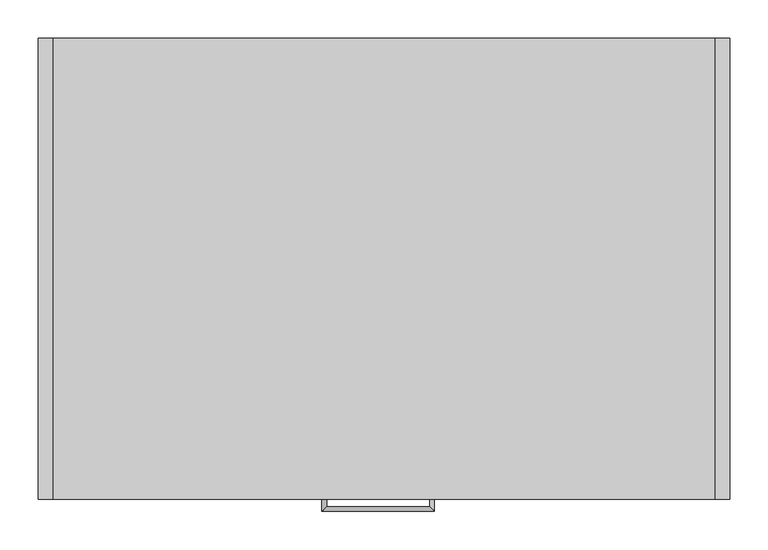
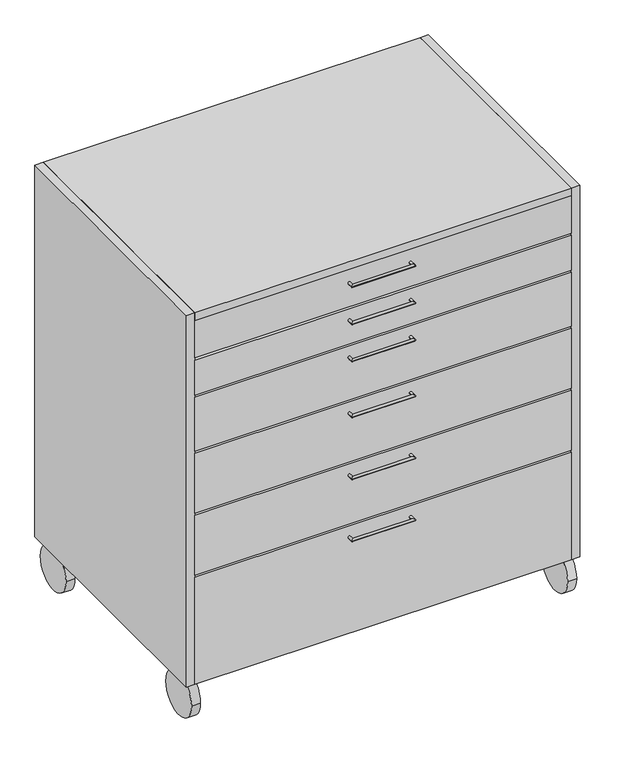
"""IFC4 building model written with IfcOpenShell, lengths in millimetres: proxy geometry."""

from ifc_helpers import new_model, si_unit, point, frame, frame_2d, origin, place, context, project, spatial, polyline, circle_curve, ellipse_curve, trimmed, segment, composite_curve, outline, extrude, source, transform, mapped, element, save
from ifc_brep_helpers import plane_surface, cylinder_surface, advanced_brep


def specialty_equipment_b7815823(model_context):
    return source(origin(), model_context, "Body", "SolidModel", [
        extrude(outline(polyline([(296.9877267, 980.95), (296.9877267, 101.6), (-283.9622733, 101.6), (-283.9622733, 360.95), (-248.3385879, 360.95), (-248.3385879, 365.95), (-283.9622733, 365.95), (-283.9622733, 510.95), (-248.3385879, 510.95), (-248.3385879, 515.95), (-283.9622733, 515.95), (-283.9622733, 660.95), (-248.3385879, 660.95), (-248.3385879, 665.95), (-283.9622733, 665.95), (-283.9622733, 795.95), (-248.3385879, 795.95), (-248.3385879, 800.95), (-283.9622733, 800.95), (-283.9622733, 885.95), (-248.3385879, 885.95), (-248.3385879, 890.95), (-283.9622733, 890.95), (-283.9622733, 980.95), (296.9877267, 980.95)])), frame((-423.2495348, 0.0, 0.0), z_axis=(1.0, 0.0, 0.0), x_axis=(0.0, 1.0, 0.0)), (0.0, 0.0, 1.0), 861.9),
        extrude(outline(polyline([(438.6504652, 296.9877267), (-423.2495348, 296.9877267), (-423.2495348, 316.0377267), (438.6504652, 316.0377267), (438.6504652, 296.9877267)])), frame((0.0, 0.0, 101.6), z_axis=(0.0, 0.0, 1.0), x_axis=(1.0, 0.0, 0.0)), (0.0, 0.0, 1.0), 879.35),
        extrude(outline(polyline([(438.6504652, 316.0377267), (438.6504652, -283.9622733), (-423.2495348, -283.9622733), (-423.2495348, 316.0377267), (438.6504652, 316.0377267)])), frame((0.0, 0.0, 980.95), z_axis=(0.0, 0.0, 1.0), x_axis=(1.0, 0.0, 0.0)), (0.0, 0.0, 1.0), 19.05),
        extrude(outline(polyline([(438.6504652, -283.9622733), (438.6504652, 316.0377267), (457.7004652, 316.0377267), (457.7004652, -283.9622733), (438.6504652, -283.9622733)])), frame((0.0, 0.0, 101.6), z_axis=(0.0, 0.0, 1.0), x_axis=(1.0, 0.0, 0.0)), (0.0, 0.0, 1.0), 898.4),
        extrude(outline(polyline([(-442.2995348, -283.9622733), (-442.2995348, 316.0377267), (-423.2495348, 316.0377267), (-423.2495348, -283.9622733), (-442.2995348, -283.9622733)])), frame((0.0, 0.0, 101.6), z_axis=(0.0, 0.0, 1.0), x_axis=(1.0, 0.0, 0.0)), (0.0, 0.0, 1.0), 898.4),
        advanced_brep(
        [(-73.1593982, -283.9622733, 334.6154033), (-67.1593982, -283.9622733, 334.6154033), (-73.1593982, -299.6216715, 334.6154033), (-67.1593982, -293.6216715, 334.6154033), (73.1593982, -299.6216715, 334.6154033), (67.1593982, -293.6216715, 334.6154033), (73.1593982, -283.9622733, 334.6154033), (67.1593982, -283.9622733, 334.6154033)],
        [
            (0, 1, circle_curve(frame((-70.1593982, -283.9622733, 334.6154033), z_axis=(0.0, 1.0, 0.0), x_axis=(1.0, 0.0, 0.0)), 3.0)),
            (1, 0, circle_curve(frame((-70.1593982, -283.9622733, 334.6154033), z_axis=(0.0, 1.0, 0.0), x_axis=(1.0, 0.0, 0.0)), 3.0)),
            (0, 2),
            (2, 3, ellipse_curve(frame((-70.1593982, -296.6216715, 334.6154033), z_axis=(-0.7071067811865465, 0.7071067811865485, 0.0), x_axis=(0.7071067811865483, 0.7071067811865467, 0.0)), 4.2426407, 3.0)),
            (3, 1),
            (3, 2, ellipse_curve(frame((-70.1593982, -296.6216715, 334.6154033), z_axis=(-0.7071067811865465, 0.7071067811865485, 0.0), x_axis=(0.7071067811865483, 0.7071067811865467, 0.0)), 4.2426407, 3.0)),
            (2, 4),
            (4, 5, ellipse_curve(frame((70.1593982, -296.6216715, 334.6154033), z_axis=(-0.7071067811865486, -0.7071067811865466, 0.0), x_axis=(-0.7071067811865464, 0.7071067811865487, 0.0)), 4.2426407, 3.0)),
            (5, 3),
            (5, 4, ellipse_curve(frame((70.1593982, -296.6216715, 334.6154033), z_axis=(-0.7071067811865486, -0.7071067811865466, 0.0), x_axis=(-0.7071067811865464, 0.7071067811865487, 0.0)), 4.2426407, 3.0)),
            (6, 7, circle_curve(frame((70.1593982, -283.9622733, 334.6154033), z_axis=(0.0, 1.0, 0.0), x_axis=(-1.0, 0.0, 0.0)), 3.0)),
            (7, 6, circle_curve(frame((70.1593982, -283.9622733, 334.6154033), z_axis=(0.0, 1.0, 0.0), x_axis=(-1.0, 0.0, 0.0)), 3.0)),
            (4, 6),
            (7, 5),
        ],
        [
            plane_surface(frame((-100.0, -283.9622733, -615.0), z_axis=(0.0, 1.0, 0.0), x_axis=(0.0, 0.0, 1.0))),
            cylinder_surface(frame((-70.1593982, -283.9622733, 334.6154033), z_axis=(0.0, 1.0, 0.0), x_axis=(1.0, 0.0, 0.0)), 3.0),
            cylinder_surface(frame((-100.0, -296.6216715, 334.6154033), z_axis=(-1.0, 0.0, 0.0), x_axis=(0.0, 1.0, 0.0)), 3.0),
            plane_surface(frame((100.0, -283.9622733, -615.0), z_axis=(0.0, 1.0, 0.0), x_axis=(0.0, 0.0, 1.0))),
            cylinder_surface(frame((70.1593982, -326.4622733, 334.6154033), z_axis=(0.0, -1.0, 0.0), x_axis=(-1.0, 0.0, 0.0)), 3.0),
        ],
        [
            (0, [[1, 2]]),
            (1, [[-1, 3, 4, 5]]),
            (1, [[-2, -5, 6, -3]]),
            (2, [[-4, 7, 8, 9]]),
            (2, [[-6, -9, 10, -7]]),
            (3, [[11, 12]]),
            (4, [[-8, 13, -12, 14]]),
            (4, [[-10, -14, -11, -13]]),
        ],
    ),
        advanced_brep(
        [(-73.1593982, -283.9622733, 484.6154033), (-67.1593982, -283.9622733, 484.6154033), (-73.1593982, -299.6216715, 484.6154033), (-67.1593982, -293.6216715, 484.6154033), (73.1593982, -299.6216715, 484.6154033), (67.1593982, -293.6216715, 484.6154033), (73.1593982, -283.9622733, 484.6154033), (67.1593982, -283.9622733, 484.6154033)],
        [
            (0, 1, circle_curve(frame((-70.1593982, -283.9622733, 484.6154033), z_axis=(0.0, 1.0, 0.0), x_axis=(1.0, 0.0, 0.0)), 3.0)),
            (1, 0, circle_curve(frame((-70.1593982, -283.9622733, 484.6154033), z_axis=(0.0, 1.0, 0.0), x_axis=(1.0, 0.0, 0.0)), 3.0)),
            (0, 2),
            (2, 3, ellipse_curve(frame((-70.1593982, -296.6216715, 484.6154033), z_axis=(-0.7071067811865465, 0.7071067811865485, 0.0), x_axis=(0.7071067811865483, 0.7071067811865467, 0.0)), 4.2426407, 3.0)),
            (3, 1),
            (3, 2, ellipse_curve(frame((-70.1593982, -296.6216715, 484.6154033), z_axis=(-0.7071067811865465, 0.7071067811865485, 0.0), x_axis=(0.7071067811865483, 0.7071067811865467, 0.0)), 4.2426407, 3.0)),
            (2, 4),
            (4, 5, ellipse_curve(frame((70.1593982, -296.6216715, 484.6154033), z_axis=(-0.7071067811865486, -0.7071067811865466, 0.0), x_axis=(-0.7071067811865464, 0.7071067811865487, 0.0)), 4.2426407, 3.0)),
            (5, 3),
            (5, 4, ellipse_curve(frame((70.1593982, -296.6216715, 484.6154033), z_axis=(-0.7071067811865486, -0.7071067811865466, 0.0), x_axis=(-0.7071067811865464, 0.7071067811865487, 0.0)), 4.2426407, 3.0)),
            (6, 7, circle_curve(frame((70.1593982, -283.9622733, 484.6154033), z_axis=(0.0, 1.0, 0.0), x_axis=(-1.0, 0.0, 0.0)), 3.0)),
            (7, 6, circle_curve(frame((70.1593982, -283.9622733, 484.6154033), z_axis=(0.0, 1.0, 0.0), x_axis=(-1.0, 0.0, 0.0)), 3.0)),
            (4, 6),
            (7, 5),
        ],
        [
            plane_surface(frame((-100.0, -283.9622733, -465.0), z_axis=(0.0, 1.0, 0.0), x_axis=(0.0, 0.0, 1.0))),
            cylinder_surface(frame((-70.1593982, -283.9622733, 484.6154033), z_axis=(0.0, 1.0, 0.0), x_axis=(1.0, 0.0, 0.0)), 3.0),
            cylinder_surface(frame((-100.0, -296.6216715, 484.6154033), z_axis=(-1.0, 0.0, 0.0), x_axis=(0.0, 1.0, 0.0)), 3.0),
            plane_surface(frame((100.0, -283.9622733, -465.0), z_axis=(0.0, 1.0, 0.0), x_axis=(0.0, 0.0, 1.0))),
            cylinder_surface(frame((70.1593982, -326.4622733, 484.6154033), z_axis=(0.0, -1.0, 0.0), x_axis=(-1.0, 0.0, 0.0)), 3.0),
        ],
        [
            (0, [[1, 2]]),
            (1, [[-1, 3, 4, 5]]),
            (1, [[-2, -5, 6, -3]]),
            (2, [[-4, 7, 8, 9]]),
            (2, [[-6, -9, 10, -7]]),
            (3, [[11, 12]]),
            (4, [[-8, 13, -12, 14]]),
            (4, [[-10, -14, -11, -13]]),
        ],
    ),
        advanced_brep(
        [(-73.1593982, -283.9622733, 634.6154033), (-67.1593982, -283.9622733, 634.6154033), (-73.1593982, -299.6216715, 634.6154033), (-67.1593982, -293.6216715, 634.6154033), (73.1593982, -299.6216715, 634.6154033), (67.1593982, -293.6216715, 634.6154033), (73.1593982, -283.9622733, 634.6154033), (67.1593982, -283.9622733, 634.6154033)],
        [
            (0, 1, circle_curve(frame((-70.1593982, -283.9622733, 634.6154033), z_axis=(0.0, 1.0, 0.0), x_axis=(1.0, 0.0, 0.0)), 3.0)),
            (1, 0, circle_curve(frame((-70.1593982, -283.9622733, 634.6154033), z_axis=(0.0, 1.0, 0.0), x_axis=(1.0, 0.0, 0.0)), 3.0)),
            (0, 2),
            (2, 3, ellipse_curve(frame((-70.1593982, -296.6216715, 634.6154033), z_axis=(-0.7071067811865465, 0.7071067811865485, 0.0), x_axis=(0.7071067811865483, 0.7071067811865467, 0.0)), 4.2426407, 3.0)),
            (3, 1),
            (3, 2, ellipse_curve(frame((-70.1593982, -296.6216715, 634.6154033), z_axis=(-0.7071067811865465, 0.7071067811865485, 0.0), x_axis=(0.7071067811865483, 0.7071067811865467, 0.0)), 4.2426407, 3.0)),
            (2, 4),
            (4, 5, ellipse_curve(frame((70.1593982, -296.6216715, 634.6154033), z_axis=(-0.7071067811865486, -0.7071067811865466, 0.0), x_axis=(-0.7071067811865464, 0.7071067811865487, 0.0)), 4.2426407, 3.0)),
            (5, 3),
            (5, 4, ellipse_curve(frame((70.1593982, -296.6216715, 634.6154033), z_axis=(-0.7071067811865486, -0.7071067811865466, 0.0), x_axis=(-0.7071067811865464, 0.7071067811865487, 0.0)), 4.2426407, 3.0)),
            (6, 7, circle_curve(frame((70.1593982, -283.9622733, 634.6154033), z_axis=(0.0, 1.0, 0.0), x_axis=(-1.0, 0.0, 0.0)), 3.0)),
            (7, 6, circle_curve(frame((70.1593982, -283.9622733, 634.6154033), z_axis=(0.0, 1.0, 0.0), x_axis=(-1.0, 0.0, 0.0)), 3.0)),
            (4, 6),
            (7, 5),
        ],
        [
            plane_surface(frame((-100.0, -283.9622733, -315.0), z_axis=(0.0, 1.0, 0.0), x_axis=(0.0, 0.0, 1.0))),
            cylinder_surface(frame((-70.1593982, -283.9622733, 634.6154033), z_axis=(0.0, 1.0, 0.0), x_axis=(1.0, 0.0, 0.0)), 3.0),
            cylinder_surface(frame((-100.0, -296.6216715, 634.6154033), z_axis=(-1.0, 0.0, 0.0), x_axis=(0.0, 1.0, 0.0)), 3.0),
            plane_surface(frame((100.0, -283.9622733, -315.0), z_axis=(0.0, 1.0, 0.0), x_axis=(0.0, 0.0, 1.0))),
            cylinder_surface(frame((70.1593982, -326.4622733, 634.6154033), z_axis=(0.0, -1.0, 0.0), x_axis=(-1.0, 0.0, 0.0)), 3.0),
        ],
        [
            (0, [[1, 2]]),
            (1, [[-1, 3, 4, 5]]),
            (1, [[-2, -5, 6, -3]]),
            (2, [[-4, 7, 8, 9]]),
            (2, [[-6, -9, 10, -7]]),
            (3, [[11, 12]]),
            (4, [[-8, 13, -12, 14]]),
            (4, [[-10, -14, -11, -13]]),
        ],
    ),
        advanced_brep(
        [(-73.1593982, -283.9622733, 769.6154033), (-67.1593982, -283.9622733, 769.6154033), (-73.1593982, -299.6216715, 769.6154033), (-67.1593982, -293.6216715, 769.6154033), (73.1593982, -299.6216715, 769.6154033), (67.1593982, -293.6216715, 769.6154033), (73.1593982, -283.9622733, 769.6154033), (67.1593982, -283.9622733, 769.6154033)],
        [
            (0, 1, circle_curve(frame((-70.1593982, -283.9622733, 769.6154033), z_axis=(0.0, 1.0, 0.0), x_axis=(1.0, 0.0, 0.0)), 3.0)),
            (1, 0, circle_curve(frame((-70.1593982, -283.9622733, 769.6154033), z_axis=(0.0, 1.0, 0.0), x_axis=(1.0, 0.0, 0.0)), 3.0)),
            (0, 2),
            (2, 3, ellipse_curve(frame((-70.1593982, -296.6216715, 769.6154033), z_axis=(-0.7071067811865465, 0.7071067811865485, 0.0), x_axis=(0.7071067811865483, 0.7071067811865467, 0.0)), 4.2426407, 3.0)),
            (3, 1),
            (3, 2, ellipse_curve(frame((-70.1593982, -296.6216715, 769.6154033), z_axis=(-0.7071067811865465, 0.7071067811865485, 0.0), x_axis=(0.7071067811865483, 0.7071067811865467, 0.0)), 4.2426407, 3.0)),
            (2, 4),
            (4, 5, ellipse_curve(frame((70.1593982, -296.6216715, 769.6154033), z_axis=(-0.7071067811865486, -0.7071067811865466, 0.0), x_axis=(-0.7071067811865464, 0.7071067811865487, 0.0)), 4.2426407, 3.0)),
            (5, 3),
            (5, 4, ellipse_curve(frame((70.1593982, -296.6216715, 769.6154033), z_axis=(-0.7071067811865486, -0.7071067811865466, 0.0), x_axis=(-0.7071067811865464, 0.7071067811865487, 0.0)), 4.2426407, 3.0)),
            (6, 7, circle_curve(frame((70.1593982, -283.9622733, 769.6154033), z_axis=(0.0, 1.0, 0.0), x_axis=(-1.0, 0.0, 0.0)), 3.0)),
            (7, 6, circle_curve(frame((70.1593982, -283.9622733, 769.6154033), z_axis=(0.0, 1.0, 0.0), x_axis=(-1.0, 0.0, 0.0)), 3.0)),
            (4, 6),
            (7, 5),
        ],
        [
            plane_surface(frame((-100.0, -283.9622733, -180.0), z_axis=(0.0, 1.0, 0.0), x_axis=(0.0, 0.0, 1.0))),
            cylinder_surface(frame((-70.1593982, -283.9622733, 769.6154033), z_axis=(0.0, 1.0, 0.0), x_axis=(1.0, 0.0, 0.0)), 3.0),
            cylinder_surface(frame((-100.0, -296.6216715, 769.6154033), z_axis=(-1.0, 0.0, 0.0), x_axis=(0.0, 1.0, 0.0)), 3.0),
            plane_surface(frame((100.0, -283.9622733, -180.0), z_axis=(0.0, 1.0, 0.0), x_axis=(0.0, 0.0, 1.0))),
            cylinder_surface(frame((70.1593982, -326.4622733, 769.6154033), z_axis=(0.0, -1.0, 0.0), x_axis=(-1.0, 0.0, 0.0)), 3.0),
        ],
        [
            (0, [[1, 2]]),
            (1, [[-1, 3, 4, 5]]),
            (1, [[-2, -5, 6, -3]]),
            (2, [[-4, 7, 8, 9]]),
            (2, [[-6, -9, 10, -7]]),
            (3, [[11, 12]]),
            (4, [[-8, 13, -12, 14]]),
            (4, [[-10, -14, -11, -13]]),
        ],
    ),
        advanced_brep(
        [(-73.1593982, -283.9622733, 859.6154033), (-67.1593982, -283.9622733, 859.6154033), (-73.1593982, -299.6216715, 859.6154033), (-67.1593982, -293.6216715, 859.6154033), (73.1593982, -299.6216715, 859.6154033), (67.1593982, -293.6216715, 859.6154033), (73.1593982, -283.9622733, 859.6154033), (67.1593982, -283.9622733, 859.6154033)],
        [
            (0, 1, circle_curve(frame((-70.1593982, -283.9622733, 859.6154033), z_axis=(0.0, 1.0, 0.0), x_axis=(1.0, 0.0, 0.0)), 3.0)),
            (1, 0, circle_curve(frame((-70.1593982, -283.9622733, 859.6154033), z_axis=(0.0, 1.0, 0.0), x_axis=(1.0, 0.0, 0.0)), 3.0)),
            (0, 2),
            (2, 3, ellipse_curve(frame((-70.1593982, -296.6216715, 859.6154033), z_axis=(-0.7071067811865465, 0.7071067811865485, 0.0), x_axis=(0.7071067811865483, 0.7071067811865467, 0.0)), 4.2426407, 3.0)),
            (3, 1),
            (3, 2, ellipse_curve(frame((-70.1593982, -296.6216715, 859.6154033), z_axis=(-0.7071067811865465, 0.7071067811865485, 0.0), x_axis=(0.7071067811865483, 0.7071067811865467, 0.0)), 4.2426407, 3.0)),
            (2, 4),
            (4, 5, ellipse_curve(frame((70.1593982, -296.6216715, 859.6154033), z_axis=(-0.7071067811865486, -0.7071067811865466, 0.0), x_axis=(-0.7071067811865464, 0.7071067811865487, 0.0)), 4.2426407, 3.0)),
            (5, 3),
            (5, 4, ellipse_curve(frame((70.1593982, -296.6216715, 859.6154033), z_axis=(-0.7071067811865486, -0.7071067811865466, 0.0), x_axis=(-0.7071067811865464, 0.7071067811865487, 0.0)), 4.2426407, 3.0)),
            (6, 7, circle_curve(frame((70.1593982, -283.9622733, 859.6154033), z_axis=(0.0, 1.0, 0.0), x_axis=(-1.0, 0.0, 0.0)), 3.0)),
            (7, 6, circle_curve(frame((70.1593982, -283.9622733, 859.6154033), z_axis=(0.0, 1.0, 0.0), x_axis=(-1.0, 0.0, 0.0)), 3.0)),
            (4, 6),
            (7, 5),
        ],
        [
            plane_surface(frame((-100.0, -283.9622733, -90.0), z_axis=(0.0, 1.0, 0.0), x_axis=(0.0, 0.0, 1.0))),
            cylinder_surface(frame((-70.1593982, -283.9622733, 859.6154033), z_axis=(0.0, 1.0, 0.0), x_axis=(1.0, 0.0, 0.0)), 3.0),
            cylinder_surface(frame((-100.0, -296.6216715, 859.6154033), z_axis=(-1.0, 0.0, 0.0), x_axis=(0.0, 1.0, 0.0)), 3.0),
            plane_surface(frame((100.0, -283.9622733, -90.0), z_axis=(0.0, 1.0, 0.0), x_axis=(0.0, 0.0, 1.0))),
            cylinder_surface(frame((70.1593982, -326.4622733, 859.6154033), z_axis=(0.0, -1.0, 0.0), x_axis=(-1.0, 0.0, 0.0)), 3.0),
        ],
        [
            (0, [[1, 2]]),
            (1, [[-1, 3, 4, 5]]),
            (1, [[-2, -5, 6, -3]]),
            (2, [[-4, 7, 8, 9]]),
            (2, [[-6, -9, 10, -7]]),
            (3, [[11, 12]]),
            (4, [[-8, 13, -12, 14]]),
            (4, [[-10, -14, -11, -13]]),
        ],
    ),
        advanced_brep(
        [(-73.1593982, -283.9622733, 949.6154033), (-67.1593982, -283.9622733, 949.6154033), (-73.1593982, -299.6216715, 949.6154033), (-67.1593982, -293.6216715, 949.6154033), (73.1593982, -299.6216715, 949.6154033), (67.1593982, -293.6216715, 949.6154033), (73.1593982, -283.9622733, 949.6154033), (67.1593982, -283.9622733, 949.6154033)],
        [
            (0, 1, circle_curve(frame((-70.1593982, -283.9622733, 949.6154033), z_axis=(0.0, 1.0, 0.0), x_axis=(1.0, 0.0, 0.0)), 3.0)),
            (1, 0, circle_curve(frame((-70.1593982, -283.9622733, 949.6154033), z_axis=(0.0, 1.0, 0.0), x_axis=(1.0, 0.0, 0.0)), 3.0)),
            (0, 2),
            (2, 3, ellipse_curve(frame((-70.1593982, -296.6216715, 949.6154033), z_axis=(-0.7071067811865465, 0.7071067811865485, 0.0), x_axis=(0.7071067811865483, 0.7071067811865467, 0.0)), 4.2426407, 3.0)),
            (3, 1),
            (3, 2, ellipse_curve(frame((-70.1593982, -296.6216715, 949.6154033), z_axis=(-0.7071067811865465, 0.7071067811865485, 0.0), x_axis=(0.7071067811865483, 0.7071067811865467, 0.0)), 4.2426407, 3.0)),
            (2, 4),
            (4, 5, ellipse_curve(frame((70.1593982, -296.6216715, 949.6154033), z_axis=(-0.7071067811865486, -0.7071067811865466, 0.0), x_axis=(-0.7071067811865464, 0.7071067811865487, 0.0)), 4.2426407, 3.0)),
            (5, 3),
            (5, 4, ellipse_curve(frame((70.1593982, -296.6216715, 949.6154033), z_axis=(-0.7071067811865486, -0.7071067811865466, 0.0), x_axis=(-0.7071067811865464, 0.7071067811865487, 0.0)), 4.2426407, 3.0)),
            (6, 7, circle_curve(frame((70.1593982, -283.9622733, 949.6154033), z_axis=(0.0, 1.0, 0.0), x_axis=(-1.0, 0.0, 0.0)), 3.0)),
            (7, 6, circle_curve(frame((70.1593982, -283.9622733, 949.6154033), z_axis=(0.0, 1.0, 0.0), x_axis=(-1.0, 0.0, 0.0)), 3.0)),
            (4, 6),
            (7, 5),
        ],
        [
            plane_surface(frame((-100.0, -283.9622733, 0.0), z_axis=(0.0, 1.0, 0.0), x_axis=(0.0, 0.0, 1.0))),
            cylinder_surface(frame((-70.1593982, -283.9622733, 949.6154033), z_axis=(0.0, 1.0, 0.0), x_axis=(1.0, 0.0, 0.0)), 3.0),
            cylinder_surface(frame((-100.0, -296.6216715, 949.6154033), z_axis=(-1.0, 0.0, 0.0), x_axis=(0.0, 1.0, 0.0)), 3.0),
            plane_surface(frame((100.0, -283.9622733, 0.0), z_axis=(0.0, 1.0, 0.0), x_axis=(0.0, 0.0, 1.0))),
            cylinder_surface(frame((70.1593982, -326.4622733, 949.6154033), z_axis=(0.0, -1.0, 0.0), x_axis=(-1.0, 0.0, 0.0)), 3.0),
        ],
        [
            (0, [[1, 2]]),
            (1, [[-1, 3, 4, 5]]),
            (1, [[-2, -5, 6, -3]]),
            (2, [[-4, 7, 8, 9]]),
            (2, [[-6, -9, 10, -7]]),
            (3, [[11, 12]]),
            (4, [[-8, 13, -12, 14]]),
            (4, [[-10, -14, -11, -13]]),
        ],
    ),
        extrude(outline(composite_curve([segment(trimmed(circle_curve(frame_2d((264.6019493, 51.0)), 51.0), [point((315.6019493, 51.0))], [point((213.6019493, 51.0))], False, "CARTESIAN"), True, "CONTINUOUS"), segment(trimmed(circle_curve(frame_2d((264.6019493, 51.0)), 51.0), [point((213.6019493, 51.0))], [point((315.6019493, 51.0))], False, "CARTESIAN"), True, "CONTINUOUS")], self_intersect=False)), frame((430.1726831, 0.0, 0.0), z_axis=(1.0, 0.0, 0.0), x_axis=(0.0, 1.0, 0.0)), (0.0, 0.0, 1.0), 20.3677146),
        extrude(outline(composite_curve([segment(trimmed(circle_curve(frame_2d((-232.5264959, 51.0)), 51.0), [point((-181.5264959, 51.0))], [point((-283.5264959, 51.0))], False, "CARTESIAN"), True, "CONTINUOUS"), segment(trimmed(circle_curve(frame_2d((-232.5264959, 51.0)), 51.0), [point((-283.5264959, 51.0))], [point((-181.5264959, 51.0))], False, "CARTESIAN"), True, "CONTINUOUS")], self_intersect=False)), frame((430.1726831, 0.0, 0.0), z_axis=(1.0, 0.0, 0.0), x_axis=(0.0, 1.0, 0.0)), (0.0, 0.0, 1.0), 20.3677146),
        extrude(outline(composite_curve([segment(trimmed(circle_curve(frame_2d((264.6019493, 51.0)), 51.0), [point((315.6019493, 51.0))], [point((213.6019493, 51.0))], False, "CARTESIAN"), True, "CONTINUOUS"), segment(trimmed(circle_curve(frame_2d((264.6019493, 51.0)), 51.0), [point((213.6019493, 51.0))], [point((315.6019493, 51.0))], False, "CARTESIAN"), True, "CONTINUOUS")], self_intersect=False)), frame((-430.1394673, 0.0, 0.0), z_axis=(1.0, 0.0, 0.0), x_axis=(0.0, 1.0, 0.0)), (0.0, 0.0, 1.0), 20.3677146),
        extrude(outline(composite_curve([segment(trimmed(circle_curve(frame_2d((-232.5264959, 51.0)), 51.0), [point((-181.5264959, 51.0))], [point((-283.5264959, 51.0))], False, "CARTESIAN"), True, "CONTINUOUS"), segment(trimmed(circle_curve(frame_2d((-232.5264959, 51.0)), 51.0), [point((-283.5264959, 51.0))], [point((-181.5264959, 51.0))], False, "CARTESIAN"), True, "CONTINUOUS")], self_intersect=False)), frame((-430.1394673, 0.0, 0.0), z_axis=(1.0, 0.0, 0.0), x_axis=(0.0, 1.0, 0.0)), (0.0, 0.0, 1.0), 20.3677146),
    ])


if __name__ == "__main__":
    model = new_model("IFC4")
    model_context = context("Model", 3, world=origin())
    ifc_project = project(units=[si_unit("LENGTHUNIT", "METRE", prefix="MILLI")], contexts=[model_context])
    site = spatial("IfcSite", under=ifc_project)
    building = spatial("IfcBuilding", under=site)
    placement = place(None, origin())
    specialty_equipment_shape = specialty_equipment_b7815823(model_context)
    element("IfcBuildingElementProxy", 1, Name="Specialty Equipment", at=placement, inside=building, context=model_context, shape_type="MappedRepresentation", body=[
        mapped(specialty_equipment_shape, transform((0.0, 0.0, 0.0), x_axis=(1.0, 0.0, 0.0), y_axis=(0.0, 1.0, 0.0), z_axis=(0.0, 0.0, 1.0))),
    ])
    save(model, "model.ifc")
